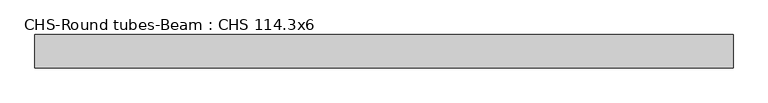
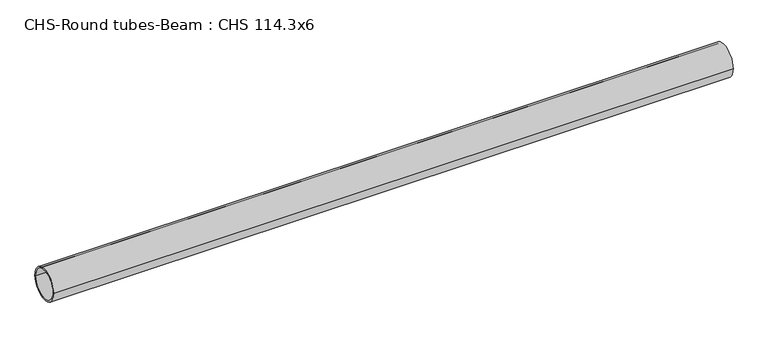
"""IFC4 building model written with IfcOpenShell, lengths in millimetres: beam geometry, CHS-Round tubes-Beam : CHS 114.3x6."""

from ifc_helpers import new_model, si_unit, point, frame, origin, origin_2d, place, context, project, spatial, circle_curve, trimmed, segment, composite_curve, outline, extrude, source, transform, mapped, element, save


def chs_round_tubes_beam_chs_114_3x6_9d07c22d(model_context):
    return source(origin(), model_context, "Body", "SweptSolid", [
        extrude(outline(composite_curve([segment(trimmed(circle_curve(origin_2d(), 57.15), [point((57.15, 0.0))], [point((-57.15, 0.0))], False, "CARTESIAN"), True, "CONTINUOUS"), segment(trimmed(circle_curve(origin_2d(), 57.15), [point((-57.15, 0.0))], [point((57.15, 0.0))], False, "CARTESIAN"), True, "CONTINUOUS")], self_intersect=False), holes=[composite_curve([segment(trimmed(circle_curve(origin_2d(), 51.15), [point((51.15, 0.0))], [point((-51.15, 0.0))], True, "CARTESIAN"), True, "CONTINUOUS"), segment(trimmed(circle_curve(origin_2d(), 51.15), [point((-51.15, 0.0))], [point((51.15, 0.0))], True, "CARTESIAN"), True, "CONTINUOUS")], self_intersect=False)]), frame((-1143.6189795, 0.0, 0.0), z_axis=(1.0, 0.0, 0.0), x_axis=(0.0, 1.0, 0.0)), (0.0, 0.0, 1.0), 2386.6717883),
    ])


if __name__ == "__main__":
    model = new_model("IFC4")
    model_context = context("Model", 3, world=origin())
    ifc_project = project(units=[si_unit("LENGTHUNIT", "METRE", prefix="MILLI")], contexts=[model_context])
    site = spatial("IfcSite", under=ifc_project)
    building = spatial("IfcBuilding", under=site)
    placement = place(None, origin())
    chs_round_tubes_beam_chs_114_3x6_shape = chs_round_tubes_beam_chs_114_3x6_9d07c22d(model_context)
    element("IfcBeam", 1, ObjectType="CHS-Round tubes-Beam : CHS 114.3x6", at=placement, inside=building, context=model_context, shape_type="MappedRepresentation", body=[
        mapped(chs_round_tubes_beam_chs_114_3x6_shape, transform((0.0, 0.0, 0.0), x_axis=(1.0, 0.0, 0.0), y_axis=(0.0, 1.0, 0.0), z_axis=(0.0, 0.0, 1.0))),
    ])
    save(model, "model.ifc")
